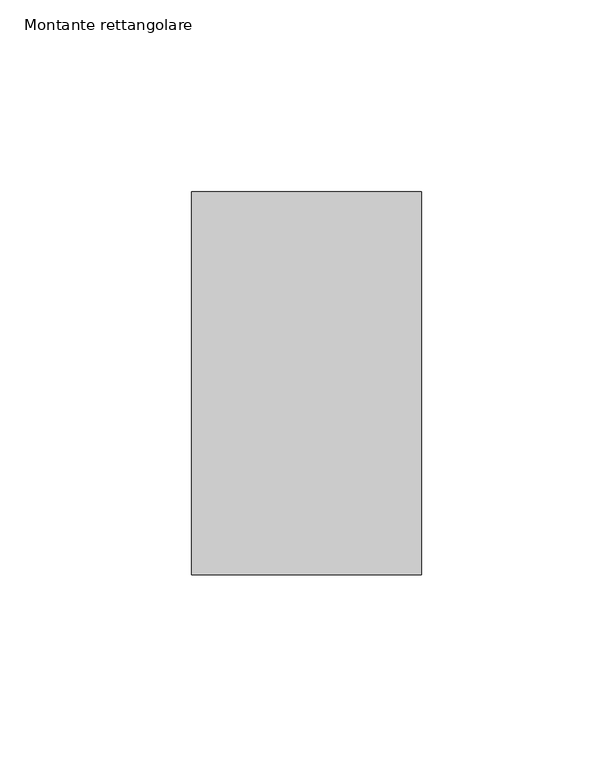
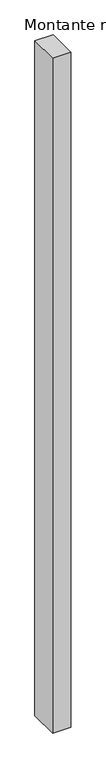
"""IFC4 building model written with IfcOpenShell, lengths in millimetres: member geometry, Montante rettangolare."""

from ifc_helpers import new_model, si_unit, frame, origin, place, context, project, spatial, polyline, outline, extrude, source, transform, mapped, element, save


def montante_rettangolare_71173b09(model_context):
    return source(origin(), model_context, "Body", "SweptSolid", [
        extrude(outline(polyline([(0.0, 50.0), (0.0, -50.0), (-60.0, -50.0), (-60.0, 50.0), (0.0, 50.0)])), frame((0.0, 0.0, -2340.0117755), z_axis=(0.0, 0.0, 1.0), x_axis=(1.0, 0.0, 0.0)), (0.0, 0.0, 1.0), 2340.0117755),
    ])


if __name__ == "__main__":
    model = new_model("IFC4")
    model_context = context("Model", 3, world=origin())
    ifc_project = project(units=[si_unit("LENGTHUNIT", "METRE", prefix="MILLI")], contexts=[model_context])
    site = spatial("IfcSite", under=ifc_project)
    building = spatial("IfcBuilding", under=site)
    placement = place(None, origin())
    montante_rettangolare_shape = montante_rettangolare_71173b09(model_context)
    element("IfcMember", 1, ObjectType="Montante rettangolare", at=placement, inside=building, context=model_context, shape_type="MappedRepresentation", body=[
        mapped(montante_rettangolare_shape, transform((0.0, 0.0, 0.0), x_axis=(1.0, 0.0, 0.0), y_axis=(0.0, 1.0, 0.0), z_axis=(0.0, 0.0, 1.0))),
    ])
    save(model, "model.ifc")
